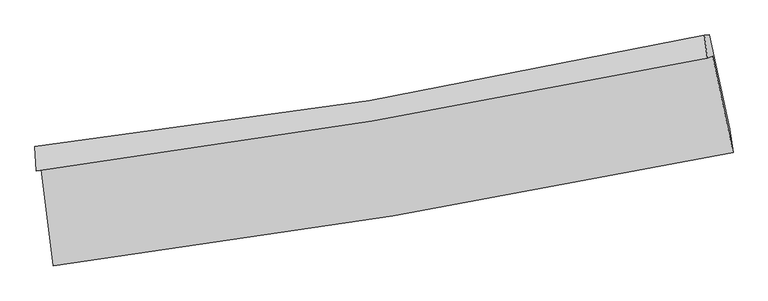
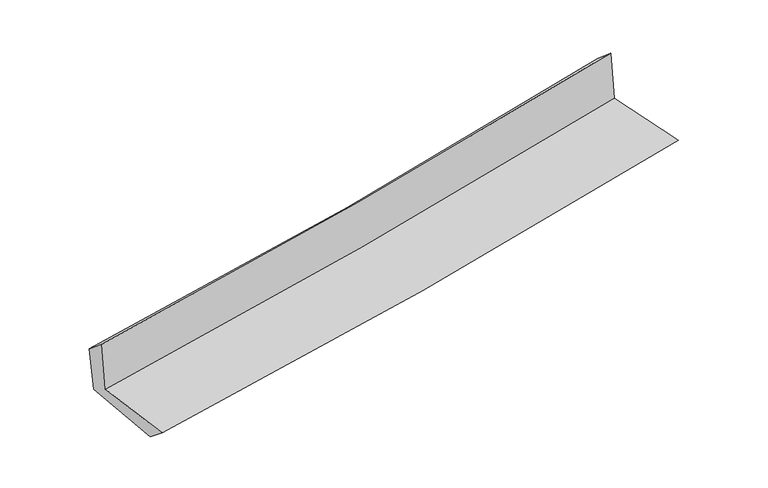
"""IFC4 building model written with IfcOpenShell, lengths in millimetres: proxy geometry."""

from ifc_helpers import new_model, si_unit, frame, origin, place, context, project, spatial, source, transform, mapped, element, save
from ifc_brep_helpers import plane_surface, spline_curve, spline_surface, advanced_brep


def generic_models_658111d7(model_context):
    return source(origin(), model_context, "Body", "AdvancedBrep", [
        advanced_brep(
        [(-2308.0312741, -1873.1082684, 1674.4727769), (-2227.9489504, -2530.4128419, 1670.7730565), (2398.2223706, -1760.0740289, 2092.0015136), (2258.705407, -1102.68231, 2101.1207574), (-2343.6665495, -1885.115582, 2081.1720693), (2222.9699337, -1114.706236, 2507.8107671), (-2351.3891409, -1718.5384446, 1944.260047), (2202.8740599, -960.2610883, 2375.1919346), (-2318.0171356, -1725.9203376, 1588.1688695), (2236.239421, -957.5564091, 2014.5754499), (-2235.5367962, -2372.6657562, 1544.1296701), (2375.3829321, -1599.9748882, 1975.8643599)],
        [
            (0, 1),
            (1, 2, spline_curve(3, [(-2227.9489504, -2530.4128419, 1670.7730565), (-1455.102356927, -2431.742867925, 1740.069398127), (-684.496446782, -2318.486882193, 1809.696822393), (857.592019088, -2061.911411085, 1950.10167439), (1629.043215911, -1918.387792603, 2020.883735998), (2398.2223706, -1760.0740289, 2092.0015136)], [4, 2, 4], [0.0, 7.651762178725392, 15.356882098557403])),
            (2, 3),
            (3, 0, spline_curve(3, [(2258.705407, -1102.68231, 2101.1207574), (1499.727722699, -1260.591922698, 2032.692172211), (738.346902695, -1403.92148051, 1962.795264467), (-783.93182565, -1660.528899564, 1820.559004972), (-1544.796566157, -1774.007994518, 1748.239919465), (-2308.0312741, -1873.1082684, 1674.4727769)], [4, 2, 4], [0.0, 7.70511991983201, 15.356882098557403])),
            (4, 0),
            (3, 5),
            (5, 4, spline_curve(3, [(2222.9699337, -1114.706236, 2507.8107671), (1464.302005799, -1272.513801611, 2436.053103236), (703.083934002, -1415.791118918, 2364.498218395), (-819.163424153, -1672.393688007, 2222.288117954), (-1580.157513271, -1785.919485834, 2151.630103639), (-2343.6665495, -1885.115582, 2081.1720693)], [4, 2, 4], [0.0, 7.657402151919062, 15.261777006946907])),
            (6, 4),
            (5, 7),
            (7, 6, spline_curve(3, [(2202.8740599, -960.2610883, 2375.1919346), (1447.974556962, -1129.264858906, 2307.607234707), (689.672435306, -1277.102791208, 2237.771326223), (-828.462261169, -1529.569779461, 2094.09629246), (-1588.247873138, -1634.490965773, 2020.288238633), (-2351.3891409, -1718.5384446, 1944.260047)], [4, 2, 4], [0.0, 7.646855654422572, 15.240757046155712])),
            (8, 6),
            (7, 9),
            (9, 8, spline_curve(3, [(2236.239421, -957.5564091, 2014.5754499), (1481.073065468, -1124.911616337, 1946.174577794), (722.638538609, -1272.774530181, 1876.31173477), (-795.492087614, -1528.626807047, 1734.156029781), (-1555.143079678, -1636.885202998, 1661.883345875), (-2318.0171356, -1725.9203376, 1588.1688695)], [4, 2, 4], [0.0, 7.637298634857549, 15.2217091891203])),
            (10, 8),
            (9, 11),
            (11, 10, spline_curve(3, [(2375.3829321, -1599.9748882, 1975.8643599), (1610.515289137, -1770.210614492, 1906.564452935), (842.492171747, -1919.871871674, 1835.806554644), (-694.524623046, -2177.151525908, 1691.874868184), (-1463.474748098, -2285.053891218, 1618.721203268), (-2235.5367962, -2372.6657562, 1544.1296701)], [4, 2, 4], [0.0, 7.684983679046584, 15.316749059893848])),
            (1, 10),
            (11, 2),
        ],
        [
            spline_surface(3, 3, [[(-2308.0312741, -1873.1082684, 1674.4727769), (-1544.796566064, -1774.007994514, 1748.239919509), (-783.931825686, -1660.528899553, 1820.559005094), (738.346902732, -1403.921480521, 1962.795264344), (1499.727722721, -1260.591922664, 2032.69217231), (2258.705407, -1102.68231, 2101.1207574)], [(-2281.337166178, -2092.20979288, 1673.239536758), (-1514.898496329, -1993.252952287, 1745.516412378), (-750.786699378, -1879.848227066, 1816.93827748), (778.095274794, -1623.251457412, 1958.564067698), (1542.832887081, -1479.857212637, 2028.756026887), (2305.211061535, -1321.812882949, 2098.081009483)], [(-2254.643058322, -2311.31131742, 1672.006296642), (-1485.00042666, -2212.49791012, 1742.792905273), (-717.641572995, -2099.167554575, 1813.31754993), (817.84364693, -1842.581434299, 1954.332871114), (1585.938051436, -1699.122502664, 2024.819881416), (2351.716716065, -1540.943455951, 2095.041261517)], [(-2227.9489504, -2530.4128419, 1670.7730565), (-1455.102356925, -2431.742867892, 1740.069398141), (-684.496446686, -2318.486882088, 1809.696822316), (857.592018992, -2061.91141119, 1950.101674467), (1629.043215795, -1918.387792637, 2020.883735993), (2398.2223706, -1760.0740289, 2092.0015136)]], [4, 4], [4, 2, 4], [0.0, 2.1886892803138664], [0.0, 7.651762178725392, 15.356882098557403]),
            spline_surface(3, 3, [[(-2343.6665495, -1885.115582, 2081.1720693), (-1580.157513334, -1785.919485809, 2151.630103526), (-819.163424141, -1672.393687979, 2222.288117923), (703.08393399, -1415.791118946, 2364.498218426), (1464.302005856, -1272.513801492, 2436.053103318), (2222.9699337, -1114.706236, 2507.8107671)], [(-2331.78812438, -1881.113144126, 1945.605638504), (-1568.370530924, -1781.948988704, 2017.166708858), (-807.419557978, -1668.438758496, 2088.37841364), (714.838256915, -1411.834572797, 2230.597233725), (1476.110578127, -1268.53984191, 2301.599459638), (2234.881758116, -1110.698260694, 2372.247430522)], [(-2319.90969922, -1877.110706274, 1810.039207696), (-1556.583548474, -1777.97849162, 1882.703314177), (-795.675691849, -1664.483829036, 1954.468709377), (726.592579807, -1407.878026671, 2096.696249045), (1487.91915045, -1264.565882246, 2167.14581599), (2246.793582584, -1106.690285306, 2236.684093978)], [(-2308.0312741, -1873.1082684, 1674.4727769), (-1544.796566064, -1774.007994514, 1748.239919509), (-783.931825686, -1660.528899553, 1820.559005094), (738.346902732, -1403.921480521, 1962.795264344), (1499.727722721, -1260.591922664, 2032.69217231), (2258.705407, -1102.68231, 2101.1207574)]], [4, 4], [4, 2, 4], [0.0, 1.3236022187460903], [0.0, 7.604374855027846, 15.261777006946907]),
            spline_surface(3, 3, [[(-2351.3891409, -1718.5384446, 1944.260047), (-1588.247873143, -1634.490965682, 2020.288238582), (-828.462261182, -1529.569779383, 2094.096292496), (689.67243532, -1277.102791287, 2237.771326188), (1447.974556968, -1129.264858812, 2307.60723481), (2202.8740599, -960.2610883, 2375.1919346)], [(-2348.814943772, -1774.064157069, 1989.897387782), (-1585.551086545, -1684.96713906, 2064.068860246), (-825.362648839, -1577.177748899, 2136.826900996), (694.142934872, -1323.332233824, 2280.013623625), (1453.417039934, -1177.014506346, 2350.422524319), (2209.572684503, -1011.742804174, 2419.398212107)], [(-2346.240746628, -1829.589869531, 2035.534728518), (-1582.854299932, -1735.443312432, 2107.849481862), (-822.263036483, -1624.785718463, 2179.557509422), (698.613434438, -1369.561676409, 2322.255920989), (1458.85952289, -1224.764153958, 2393.237813808), (2216.271309097, -1063.224520126, 2463.604489593)], [(-2343.6665495, -1885.115582, 2081.1720693), (-1580.157513334, -1785.919485809, 2151.630103526), (-819.163424141, -1672.393687979, 2222.288117923), (703.08393399, -1415.791118946, 2364.498218426), (1464.302005856, -1272.513801492, 2436.053103318), (2222.9699337, -1114.706236, 2507.8107671)]], [4, 4], [4, 2, 4], [0.0, 0.6240687490030237], [0.0, 7.593901391733141, 15.240757046155712]),
            spline_surface(3, 3, [[(-2318.0171356, -1725.9203376, 1588.1688695), (-1555.143079621, -1636.885203022, 1661.883345979), (-795.492087566, -1528.62680714, 1734.156029822), (722.638538561, -1272.774530087, 1876.311734728), (1481.07306538, -1124.911616425, 1946.17457768), (2236.239421, -957.5564091, 2014.5754499)], [(-2329.141137369, -1723.45970662, 1706.865928671), (-1566.178010797, -1636.087123929, 1781.351643518), (-806.482145426, -1528.941131216, 1854.136117366), (711.649837492, -1274.217283815, 1996.798265201), (1470.040229239, -1126.362697222, 2066.652130057), (2225.117633964, -958.457968834, 2134.7809448)], [(-2340.265139131, -1720.99907558, 1825.562987829), (-1577.212941966, -1635.289044776, 1900.819941043), (-817.472203322, -1529.255455308, 1974.116204952), (700.661136389, -1275.660037559, 2117.284795715), (1459.007393108, -1127.813778015, 2187.129682433), (2213.995846936, -959.359528566, 2254.9864397)], [(-2351.3891409, -1718.5384446, 1944.260047), (-1588.247873143, -1634.490965682, 2020.288238582), (-828.462261182, -1529.569779383, 2094.096292496), (689.67243532, -1277.102791287, 2237.771326188), (1447.974556968, -1129.264858812, 2307.60723481), (2202.8740599, -960.2610883, 2375.1919346)]], [4, 4], [4, 2, 4], [0.0, 1.1883804037933259], [0.0, 7.584410554262751, 15.2217091891203]),
            spline_surface(3, 3, [[(-2235.5367962, -2372.6657562, 1544.1296701), (-1463.474748105, -2285.053891241, 1618.721203286), (-694.524622949, -2177.151525817, 1691.874868181), (842.492171649, -1919.871871765, 1835.806554646), (1610.515289254, -1770.210614489, 1906.564452984), (2375.3829321, -1599.9748882, 1975.8643599)], [(-2263.030242654, -2157.083950003, 1558.809403233), (-1494.030858597, -2068.997661837, 1633.108584183), (-728.180444475, -1960.976619607, 1705.968588721), (802.540960633, -1704.172757887, 1849.308281333), (1567.367881303, -1555.110948476, 1919.767827868), (2329.00176174, -1385.835395174, 1988.768056552)], [(-2290.523689146, -1941.502143797, 1573.489136367), (-1524.586969128, -1852.941432426, 1647.495965081), (-761.83626604, -1744.801713351, 1720.062309282), (762.589749577, -1488.473643965, 1862.810008042), (1524.220473331, -1340.011282439, 1932.971202795), (2282.62059136, -1171.695902126, 2001.671753248)], [(-2318.0171356, -1725.9203376, 1588.1688695), (-1555.143079621, -1636.885203022, 1661.883345979), (-795.492087566, -1528.62680714, 1734.156029822), (722.638538561, -1272.774530087, 1876.311734728), (1481.07306538, -1124.911616425, 1946.17457768), (2236.239421, -957.5564091, 2014.5754499)]], [4, 4], [4, 2, 4], [0.0, 2.160304208488166], [0.0, 7.631765380847264, 15.316749059893848]),
            spline_surface(3, 3, [[(-2227.9489504, -2530.4128419, 1670.7730565), (-1455.102356925, -2431.742867892, 1740.069398141), (-684.496446686, -2318.486882088, 1809.696822316), (857.592018992, -2061.91141119, 1950.101674467), (1629.043215795, -1918.387792637, 2020.883735993), (2398.2223706, -1760.0740289, 2092.0015136)], [(-2230.478232348, -2477.830480003, 1628.558594351), (-1457.893153999, -2382.846542345, 1699.619999841), (-687.839172114, -2271.375096677, 1770.422837629), (852.558736538, -2014.564898061, 1912.003301218), (1622.867240291, -1868.995399929, 1982.777308325), (2390.609224443, -1706.707648674, 2053.289129035)], [(-2233.007514252, -2425.248118097, 1586.344132249), (-1460.68395103, -2333.950216789, 1659.170601586), (-691.181897522, -2224.263311228, 1731.148852869), (847.525454103, -1967.218384894, 1873.904927896), (1616.691264759, -1819.603007197, 1944.670880652), (2382.996078257, -1653.341268426, 2014.576744465)], [(-2235.5367962, -2372.6657562, 1544.1296701), (-1463.474748105, -2285.053891241, 1618.721203286), (-694.524622949, -2177.151525817, 1691.874868181), (842.492171649, -1919.871871765, 1835.806554646), (1610.515289254, -1770.210614489, 1906.564452984), (2375.3829321, -1599.9748882, 1975.8643599)]], [4, 4], [4, 2, 4], [0.0, 0.6022923148301272], [0.0, 7.688668828881085, 15.430952758603464]),
            plane_surface(frame((2282.3990207, -1249.2091601, 2177.7607971), z_axis=(0.9743497129924735, 0.2055124132868468, 0.09169124700046742), x_axis=(-0.0921270488788299, -0.007468047846326624, 0.9957192551749929))),
            plane_surface(frame((-2297.4316411, -2017.6268718, 1750.4960816), z_axis=(-0.9886769084851766, -0.1199473488995731, -0.09016986259365066), x_axis=(-0.12093824707282551, 0.992644308575734, 0.005587221774295929))),
        ],
        [
            (0, [[1, 2, 3, 4]]),
            (1, [[5, -4, 6, 7]]),
            (2, [[8, -7, 9, 10]]),
            (3, [[11, -10, 12, 13]]),
            (4, [[14, -13, 15, 16]]),
            (5, [[17, -16, 18, -2]]),
            (6, [[-12, -9, -6, -3, -18, -15]]),
            (7, [[-1, -5, -8, -11, -14, -17]]),
        ],
    ),
    ])


if __name__ == "__main__":
    model = new_model("IFC4")
    model_context = context("Model", 3, world=origin())
    ifc_project = project(units=[si_unit("LENGTHUNIT", "METRE", prefix="MILLI")], contexts=[model_context])
    site = spatial("IfcSite", under=ifc_project)
    building = spatial("IfcBuilding", under=site)
    placement = place(None, origin())
    generic_models_shape = generic_models_658111d7(model_context)
    element("IfcBuildingElementProxy", 1, Name="Generic Models", at=placement, inside=building, context=model_context, shape_type="MappedRepresentation", body=[
        mapped(generic_models_shape, transform((0.0, 0.0, 0.0), x_axis=(1.0, 0.0, 0.0), y_axis=(0.0, 1.0, 0.0), z_axis=(0.0, 0.0, 1.0))),
    ])
    save(model, "model.ifc")
